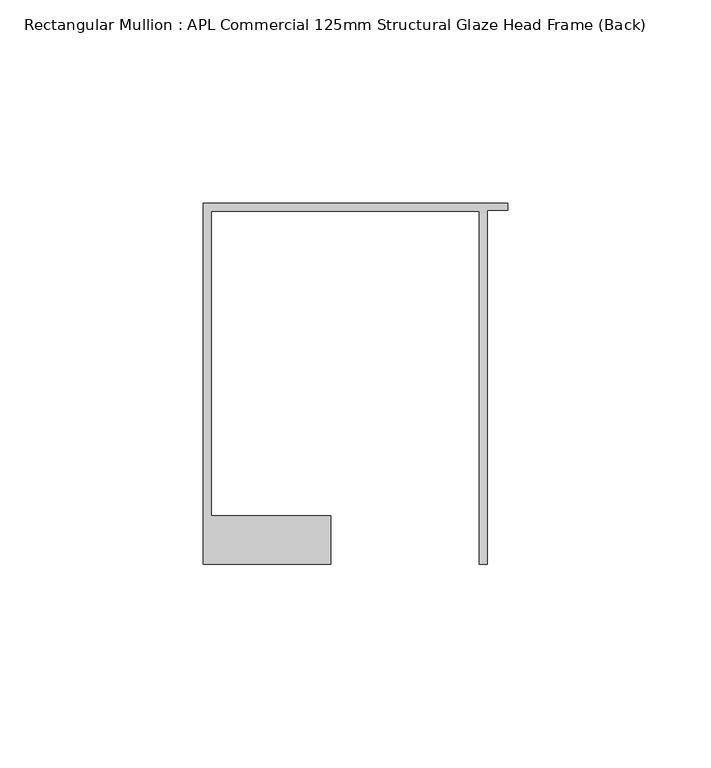
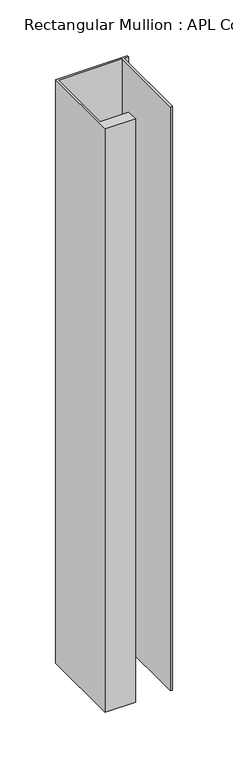
"""IFC4 building model written with IfcOpenShell, lengths in millimetres: member geometry, Rectangular Mullion : APL Commercial 125mm Structural Glaze Head Frame (Back)."""

from ifc_helpers import new_model, si_unit, frame, origin, place, context, project, spatial, polyline, outline, extrude, source, transform, mapped, element, save


def rectangular_mullion_apl_commercial_125mm_structural_glaze_c25984ef(model_context):
    return source(origin(), model_context, "Body", "SweptSolid", [
        extrude(outline(polyline([(-75.0, 103.9993063), (0.0, 103.9993063), (0.0, 102.1993063), (-5.0, 102.1993063), (-5.0, 14.9998342), (-7.0, 14.9998342), (-7.0, 101.9993063), (-73.0, 101.9993063), (-73.0, 26.9997514), (-43.5000151, 26.9997514), (-43.5000151, 14.9998342), (-75.0, 14.9998342), (-75.0, 103.9993063)])), frame((0.0, 0.0, -640.0000409), z_axis=(0.0, 0.0, 1.0), x_axis=(1.0, 0.0, 0.0)), (0.0, 0.0, 1.0), 640.0000409),
    ])


if __name__ == "__main__":
    model = new_model("IFC4")
    model_context = context("Model", 3, world=origin())
    ifc_project = project(units=[si_unit("LENGTHUNIT", "METRE", prefix="MILLI")], contexts=[model_context])
    site = spatial("IfcSite", under=ifc_project)
    building = spatial("IfcBuilding", under=site)
    placement = place(None, origin())
    rectangular_mullion_apl_commercial_125mm_structural_glaze_shape = rectangular_mullion_apl_commercial_125mm_structural_glaze_c25984ef(model_context)
    element("IfcMember", 1, ObjectType="Rectangular Mullion : APL Commercial 125mm Structural Glaze Head Frame (Back)", at=placement, inside=building, context=model_context, shape_type="MappedRepresentation", body=[
        mapped(rectangular_mullion_apl_commercial_125mm_structural_glaze_shape, transform((0.0, 0.0, 0.0), x_axis=(1.0, 0.0, 0.0), y_axis=(0.0, 1.0, 0.0), z_axis=(0.0, 0.0, 1.0))),
    ])
    save(model, "model.ifc")
